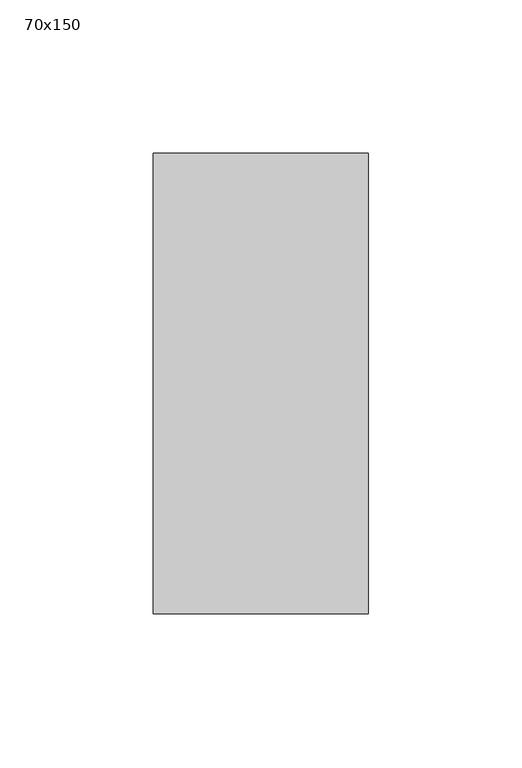
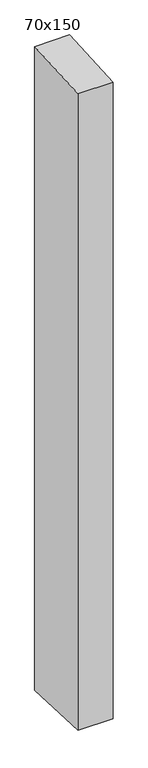
"""IFC4 building model written with IfcOpenShell, lengths in millimetres: member geometry, 70x150."""

from ifc_helpers import new_model, si_unit, frame, origin, place, context, project, spatial, polyline, outline, extrude, source, transform, mapped, element, save


def member_70x150_542da0a8(model_context):
    return source(origin(), model_context, "Body", "SweptSolid", [
        extrude(outline(polyline([(-75.0, -4.2711403), (75.0, 4.2711403), (75.0, -1354.2423423), (-75.0, -1348.1718398), (-75.0, -4.2711403)])), frame((-35.0, 0.0, 0.0), z_axis=(1.0, 0.0, 0.0), x_axis=(0.0, 1.0, 0.0)), (0.0, 0.0, 1.0), 70.0),
    ])


if __name__ == "__main__":
    model = new_model("IFC4")
    model_context = context("Model", 3, world=origin())
    ifc_project = project(units=[si_unit("LENGTHUNIT", "METRE", prefix="MILLI")], contexts=[model_context])
    site = spatial("IfcSite", under=ifc_project)
    building = spatial("IfcBuilding", under=site)
    placement = place(None, origin())
    member_70x150_shape = member_70x150_542da0a8(model_context)
    element("IfcMember", 1, ObjectType="70x150", at=placement, inside=building, context=model_context, shape_type="MappedRepresentation", body=[
        mapped(member_70x150_shape, transform((0.0, 0.0, 0.0), x_axis=(1.0, 0.0, 0.0), y_axis=(0.0, 1.0, 0.0), z_axis=(0.0, 0.0, 1.0))),
    ])
    save(model, "model.ifc")
